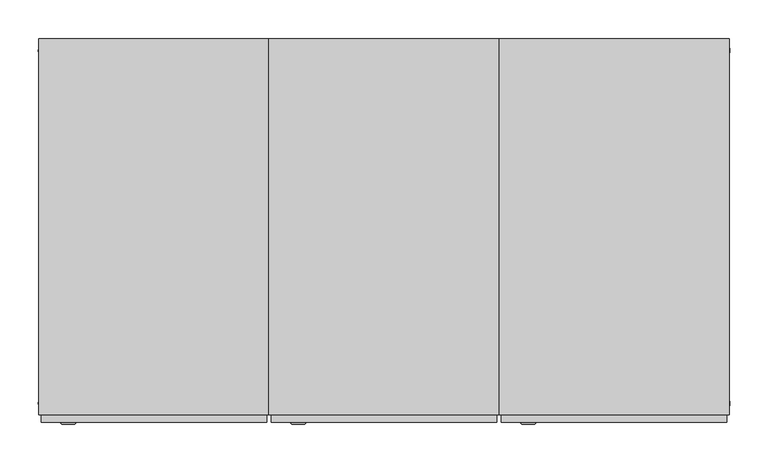
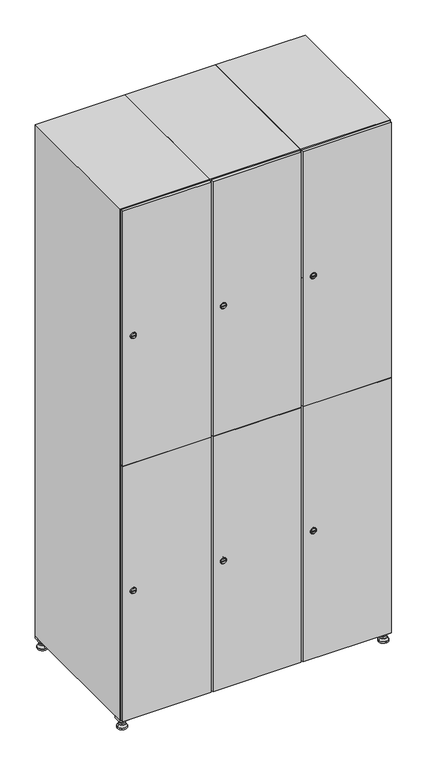
"""IFC4 building model written with IfcOpenShell, lengths in millimetres: furniture geometry."""

from ifc_helpers import new_model, si_unit, point, frame, frame_2d, origin, origin_with_axes, place, context, project, spatial, polyline, circle_curve, trimmed, segment, composite_curve, outline, extrude, faceted_brep, source, transform, mapped, element, save
from ifc_brep_helpers import plane_surface, revolved_surface, advanced_brep


def furniture_682f7376(model_context):
    return source(origin(), model_context, "Body", "SolidModel", [
        extrude(outline(polyline([(700.0, 245.0), (700.0, 215.0), (670.0, 215.0), (670.0, 245.0), (700.0, 245.0)]), holes=[polyline([(698.0, 243.0), (672.0, 243.0), (672.0, 217.0), (698.0, 217.0), (698.0, 243.0)])]), frame((0.0, 0.0, 28.5), z_axis=(0.0, 0.0, 1.0), x_axis=(1.0, 0.0, 0.0)), (0.0, 0.0, 1.0), 6.5),
        extrude(outline(polyline([(670.0, -245.0), (670.0, -215.0), (700.0, -215.0), (700.0, -245.0), (670.0, -245.0)]), holes=[polyline([(672.0, -243.0), (698.0, -243.0), (698.0, -217.0), (672.0, -217.0), (672.0, -243.0)])]), frame((0.0, 0.0, 28.5), z_axis=(0.0, 0.0, 1.0), x_axis=(1.0, 0.0, 0.0)), (0.0, 0.0, 1.0), 6.5),
        extrude(outline(polyline([(-170.0, 245.0), (-170.0, 215.0), (-200.0, 215.0), (-200.0, 245.0), (-170.0, 245.0)]), holes=[polyline([(-172.0, 243.0), (-198.0, 243.0), (-198.0, 217.0), (-172.0, 217.0), (-172.0, 243.0)])]), frame((0.0, 0.0, 28.5), z_axis=(0.0, 0.0, 1.0), x_axis=(1.0, 0.0, 0.0)), (0.0, 0.0, 1.0), 6.5),
        extrude(outline(polyline([(-170.0, -215.0), (-170.0, -245.0), (-200.0, -245.0), (-200.0, -215.0), (-170.0, -215.0)]), holes=[polyline([(-198.0, -243.0), (-172.0, -243.0), (-172.0, -217.0), (-198.0, -217.0), (-198.0, -243.0)])]), frame((0.0, 0.0, 28.5), z_axis=(0.0, 0.0, 1.0), x_axis=(1.0, 0.0, 0.0)), (0.0, 0.0, 1.0), 6.5),
        extrude(outline(composite_curve([segment(trimmed(circle_curve(frame_2d((-185.0, 230.0)), 5.0), [point((-180.0, 230.0))], [point((-190.0, 230.0))], False, "CARTESIAN"), True, "CONTINUOUS"), segment(trimmed(circle_curve(frame_2d((-185.0, 230.0)), 5.0), [point((-190.0, 230.0))], [point((-180.0, 230.0))], False, "CARTESIAN"), True, "CONTINUOUS")], self_intersect=False)), frame((0.0, 0.0, 19.6), z_axis=(0.0, 0.0, 1.0), x_axis=(1.0, 0.0, 0.0)), (0.0, 0.0, 1.0), 15.4),
        extrude(outline(composite_curve([segment(trimmed(circle_curve(frame_2d((-185.0, -230.0)), 5.0), [point((-180.0, -230.0))], [point((-190.0, -230.0))], False, "CARTESIAN"), True, "CONTINUOUS"), segment(trimmed(circle_curve(frame_2d((-185.0, -230.0)), 5.0), [point((-190.0, -230.0))], [point((-180.0, -230.0))], False, "CARTESIAN"), True, "CONTINUOUS")], self_intersect=False)), frame((0.0, 0.0, 19.6), z_axis=(0.0, 0.0, 1.0), x_axis=(1.0, 0.0, 0.0)), (0.0, 0.0, 1.0), 15.4),
        extrude(outline(composite_curve([segment(trimmed(circle_curve(frame_2d((685.0, 230.0)), 5.0), [point((690.0, 230.0))], [point((680.0, 230.0))], False, "CARTESIAN"), True, "CONTINUOUS"), segment(trimmed(circle_curve(frame_2d((685.0, 230.0)), 5.0), [point((680.0, 230.0))], [point((690.0, 230.0))], False, "CARTESIAN"), True, "CONTINUOUS")], self_intersect=False)), frame((0.0, 0.0, 19.6), z_axis=(0.0, 0.0, 1.0), x_axis=(1.0, 0.0, 0.0)), (0.0, 0.0, 1.0), 15.4),
        extrude(outline(polyline([(673.4529946, 230.0), (679.2264973, 240.0), (690.7735027, 240.0), (696.5470054, 230.0), (690.7735027, 220.0), (679.2264973, 220.0), (673.4529946, 230.0)])), frame((0.0, 0.0, 13.6), z_axis=(0.0, 0.0, 1.0), x_axis=(1.0, 0.0, 0.0)), (0.0, 0.0, 1.0), 6.0),
        extrude(outline(composite_curve([segment(trimmed(circle_curve(frame_2d((685.0, -230.0)), 5.0), [point((690.0, -230.0))], [point((680.0, -230.0))], False, "CARTESIAN"), True, "CONTINUOUS"), segment(trimmed(circle_curve(frame_2d((685.0, -230.0)), 5.0), [point((680.0, -230.0))], [point((690.0, -230.0))], False, "CARTESIAN"), True, "CONTINUOUS")], self_intersect=False)), frame((0.0, 0.0, 19.6), z_axis=(0.0, 0.0, 1.0), x_axis=(1.0, 0.0, 0.0)), (0.0, 0.0, 1.0), 15.4),
        extrude(outline(polyline([(673.4529946, -230.0), (679.2264973, -220.0), (690.7735027, -220.0), (696.5470054, -230.0), (690.7735027, -240.0), (679.2264973, -240.0), (673.4529946, -230.0)])), frame((0.0, 0.0, 13.6), z_axis=(0.0, 0.0, 1.0), x_axis=(1.0, 0.0, 0.0)), (0.0, 0.0, 1.0), 6.0),
        extrude(outline(composite_curve([segment(trimmed(circle_curve(frame_2d((685.0, 230.0)), 5.0), [point((690.0, 230.0))], [point((680.0, 230.0))], False, "CARTESIAN"), True, "CONTINUOUS"), segment(trimmed(circle_curve(frame_2d((685.0, 230.0)), 5.0), [point((680.0, 230.0))], [point((690.0, 230.0))], False, "CARTESIAN"), True, "CONTINUOUS")], self_intersect=False)), frame((0.0, 0.0, 12.1), z_axis=(0.0, 0.0, 1.0), x_axis=(1.0, 0.0, 0.0)), (0.0, 0.0, 1.0), 1.5),
        extrude(outline(composite_curve([segment(trimmed(circle_curve(frame_2d((685.0, -230.0)), 5.0), [point((690.0, -230.0))], [point((680.0, -230.0))], False, "CARTESIAN"), True, "CONTINUOUS"), segment(trimmed(circle_curve(frame_2d((685.0, -230.0)), 5.0), [point((680.0, -230.0))], [point((690.0, -230.0))], False, "CARTESIAN"), True, "CONTINUOUS")], self_intersect=False)), frame((0.0, 0.0, 12.1), z_axis=(0.0, 0.0, 1.0), x_axis=(1.0, 0.0, 0.0)), (0.0, 0.0, 1.0), 1.5),
        extrude(outline(polyline([(-196.5470054, 230.0), (-190.7735027, 240.0), (-179.2264973, 240.0), (-173.4529946, 230.0), (-179.2264973, 220.0), (-190.7735027, 220.0), (-196.5470054, 230.0)])), frame((0.0, 0.0, 13.6), z_axis=(0.0, 0.0, 1.0), x_axis=(1.0, 0.0, 0.0)), (0.0, 0.0, 1.0), 6.0),
        extrude(outline(polyline([(-196.5470054, -230.0), (-190.7735027, -220.0), (-179.2264973, -220.0), (-173.4529946, -230.0), (-179.2264973, -240.0), (-190.7735027, -240.0), (-196.5470054, -230.0)])), frame((0.0, 0.0, 13.6), z_axis=(0.0, 0.0, 1.0), x_axis=(1.0, 0.0, 0.0)), (0.0, 0.0, 1.0), 6.0),
        extrude(outline(composite_curve([segment(trimmed(circle_curve(frame_2d((-185.0, 230.0)), 5.0), [point((-185.0, 235.0))], [point((-185.0, 225.0))], False, "CARTESIAN"), True, "CONTINUOUS"), segment(trimmed(circle_curve(frame_2d((-185.0, 230.0)), 5.0), [point((-185.0, 225.0))], [point((-185.0, 235.0))], False, "CARTESIAN"), True, "CONTINUOUS")], self_intersect=False)), frame((0.0, 0.0, 12.1), z_axis=(0.0, 0.0, 1.0), x_axis=(1.0, 0.0, 0.0)), (0.0, 0.0, 1.0), 1.5),
        extrude(outline(composite_curve([segment(trimmed(circle_curve(frame_2d((-185.0, -230.0)), 5.0), [point((-180.0, -230.0))], [point((-190.0, -230.0))], False, "CARTESIAN"), True, "CONTINUOUS"), segment(trimmed(circle_curve(frame_2d((-185.0, -230.0)), 5.0), [point((-190.0, -230.0))], [point((-180.0, -230.0))], False, "CARTESIAN"), True, "CONTINUOUS")], self_intersect=False)), frame((0.0, 0.0, 12.1), z_axis=(0.0, 0.0, 1.0), x_axis=(1.0, 0.0, 0.0)), (0.0, 0.0, 1.0), 1.5),
        extrude(outline(composite_curve([segment(trimmed(circle_curve(frame_2d((685.0, 230.0)), 15.75), [point((700.75, 230.0))], [point((669.25, 230.0))], False, "CARTESIAN"), True, "CONTINUOUS"), segment(trimmed(circle_curve(frame_2d((685.0, 230.0)), 15.75), [point((669.25, 230.0))], [point((700.75, 230.0))], False, "CARTESIAN"), True, "CONTINUOUS")], self_intersect=False)), origin_with_axes(), (0.0, 0.0, 1.0), 5.1),
        extrude(outline(composite_curve([segment(trimmed(circle_curve(frame_2d((685.0, -230.0)), 15.75), [point((685.0, -214.25))], [point((685.0, -245.75))], False, "CARTESIAN"), True, "CONTINUOUS"), segment(trimmed(circle_curve(frame_2d((685.0, -230.0)), 15.75), [point((685.0, -245.75))], [point((685.0, -214.25))], False, "CARTESIAN"), True, "CONTINUOUS")], self_intersect=False)), origin_with_axes(), (0.0, 0.0, 1.0), 5.1),
        extrude(outline(composite_curve([segment(trimmed(circle_curve(frame_2d((-185.0, -230.0)), 15.75), [point((-169.25, -230.0))], [point((-200.75, -230.0))], False, "CARTESIAN"), True, "CONTINUOUS"), segment(trimmed(circle_curve(frame_2d((-185.0, -230.0)), 15.75), [point((-200.75, -230.0))], [point((-169.25, -230.0))], False, "CARTESIAN"), True, "CONTINUOUS")], self_intersect=False)), origin_with_axes(), (0.0, 0.0, 1.0), 5.1),
        extrude(outline(composite_curve([segment(trimmed(circle_curve(frame_2d((-185.0, 230.0)), 15.75), [point((-169.25, 230.0))], [point((-200.75, 230.0))], False, "CARTESIAN"), True, "CONTINUOUS"), segment(trimmed(circle_curve(frame_2d((-185.0, 230.0)), 15.75), [point((-200.75, 230.0))], [point((-169.25, 230.0))], False, "CARTESIAN"), True, "CONTINUOUS")], self_intersect=False)), origin_with_axes(), (0.0, 0.0, 1.0), 5.1),
        advanced_brep(
        [(-185.0, 239.5, 12.1), (-185.0, 220.5, 12.1), (-185.0, 214.25, 5.1), (-185.0, 245.75, 5.1)],
        [
            (0, 1, circle_curve(frame((-185.0, 230.0, 12.1), z_axis=(0.0, 0.0, -1.0), x_axis=(0.0, 1.0, 0.0)), 9.5)),
            (1, 2),
            (2, 3, circle_curve(frame((-185.0, 230.0, 5.1), z_axis=(0.0, 0.0, 1.0), x_axis=(0.0, 1.0, 0.0)), 15.75)),
            (3, 0),
            (1, 0, circle_curve(frame((-185.0, 230.0, 12.1), z_axis=(0.0, 0.0, -1.0), x_axis=(0.0, -1.0, 0.0)), 9.5)),
            (3, 2, circle_curve(frame((-185.0, 230.0, 5.1), z_axis=(0.0, 0.0, 1.0), x_axis=(0.0, -1.0, 0.0)), 15.75)),
        ],
        [
            revolved_surface(polyline([(-185.0, 220.5, 12.099999999999998), (-185.0, 214.25, 5.099999999999998)]), (-185.0, 230.0, 22.74), (0.0, 0.0, -1.0)),
            revolved_surface(polyline([(-185.0, 239.5, 12.099999999999998), (-185.0, 245.75, 5.099999999999998)]), (-185.0, 230.0, 22.74), (0.0, 0.0, -1.0)),
            plane_surface(frame((-185.0, 230.0, 5.1), z_axis=(0.0, 0.0, -1.0), x_axis=(1.0, 0.0, 0.0))),
            plane_surface(frame((-185.0, 230.0, 12.1), z_axis=(0.0, 0.0, 1.0), x_axis=(1.0, 0.0, 0.0))),
        ],
        [
            (0, [[1, 2, 3, 4]]),
            (1, [[5, -4, 6, -2]]),
            (2, [[-3, -6]]),
            (3, [[-5, -1]]),
        ],
    ),
        advanced_brep(
        [(685.0, 239.5, 12.1), (685.0, 220.5, 12.1), (685.0, 214.25, 5.1), (685.0, 245.75, 5.1)],
        [
            (0, 1, circle_curve(frame((685.0, 230.0, 12.1), z_axis=(0.0, 0.0, -1.0), x_axis=(0.0, 1.0, 0.0)), 9.5)),
            (1, 2),
            (2, 3, circle_curve(frame((685.0, 230.0, 5.1), z_axis=(0.0, 0.0, 1.0), x_axis=(0.0, 1.0, 0.0)), 15.75)),
            (3, 0),
            (1, 0, circle_curve(frame((685.0, 230.0, 12.1), z_axis=(0.0, 0.0, -1.0), x_axis=(0.0, -1.0, 0.0)), 9.5)),
            (3, 2, circle_curve(frame((685.0, 230.0, 5.1), z_axis=(0.0, 0.0, 1.0), x_axis=(0.0, -1.0, 0.0)), 15.75)),
        ],
        [
            revolved_surface(polyline([(685.0, 220.5, 12.099999999999998), (685.0, 214.25, 5.099999999999998)]), (685.0, 230.0, 22.74), (0.0, 0.0, -1.0)),
            revolved_surface(polyline([(685.0, 239.5, 12.099999999999998), (685.0, 245.75, 5.099999999999998)]), (685.0, 230.0, 22.74), (0.0, 0.0, -1.0)),
            plane_surface(frame((685.0, 230.0, 5.1), z_axis=(0.0, 0.0, -1.0), x_axis=(1.0, 0.0, 0.0))),
            plane_surface(frame((685.0, 230.0, 12.1), z_axis=(0.0, 0.0, 1.0), x_axis=(1.0, 0.0, 0.0))),
        ],
        [
            (0, [[1, 2, 3, 4]]),
            (1, [[5, -4, 6, -2]]),
            (2, [[-3, -6]]),
            (3, [[-5, -1]]),
        ],
    ),
        advanced_brep(
        [(700.75, -230.0, 5.1), (669.25, -230.0, 5.1), (675.5, -230.0, 12.1), (694.5, -230.0, 12.1)],
        [
            (0, 1, circle_curve(frame((685.0, -230.0, 5.1), z_axis=(0.0, 0.0, 1.0), x_axis=(1.0, 0.0, 0.0)), 15.75)),
            (1, 2),
            (2, 3, circle_curve(frame((685.0, -230.0, 12.1), z_axis=(0.0, 0.0, -1.0), x_axis=(1.0, 0.0, 0.0)), 9.5)),
            (3, 0),
            (1, 0, circle_curve(frame((685.0, -230.0, 5.1), z_axis=(0.0, 0.0, 1.0), x_axis=(-1.0, 0.0, 0.0)), 15.75)),
            (3, 2, circle_curve(frame((685.0, -230.0, 12.1), z_axis=(0.0, 0.0, -1.0), x_axis=(-1.0, 0.0, 0.0)), 9.5)),
        ],
        [
            revolved_surface(polyline([(694.5, -230.0, 12.099999999999998), (700.75, -230.0, 5.099999999999998)]), (685.0, -230.0, 22.74), (0.0, 0.0, -1.0)),
            revolved_surface(polyline([(675.5, -230.0, 12.099999999999998), (669.25, -230.0, 5.099999999999998)]), (685.0, -230.0, 22.74), (0.0, 0.0, -1.0)),
            plane_surface(frame((685.0, -230.0, 12.1), z_axis=(0.0, 0.0, 1.0), x_axis=(0.0, 1.0, 0.0))),
            plane_surface(frame((685.0, -230.0, 5.1), z_axis=(0.0, 0.0, -1.0), x_axis=(0.0, 1.0, 0.0))),
        ],
        [
            (0, [[1, 2, 3, 4]]),
            (1, [[5, -4, 6, -2]]),
            (2, [[-3, -6]]),
            (3, [[-5, -1]]),
        ],
    ),
        advanced_brep(
        [(-169.25, -230.0, 5.1), (-200.75, -230.0, 5.1), (-194.5, -230.0, 12.1), (-175.5, -230.0, 12.1)],
        [
            (0, 1, circle_curve(frame((-185.0, -230.0, 5.1), z_axis=(0.0, 0.0, 1.0), x_axis=(1.0, 0.0, 0.0)), 15.75)),
            (1, 2),
            (2, 3, circle_curve(frame((-185.0, -230.0, 12.1), z_axis=(0.0, 0.0, -1.0), x_axis=(1.0, 0.0, 0.0)), 9.5)),
            (3, 0),
            (1, 0, circle_curve(frame((-185.0, -230.0, 5.1), z_axis=(0.0, 0.0, 1.0), x_axis=(-1.0, 0.0, 0.0)), 15.75)),
            (3, 2, circle_curve(frame((-185.0, -230.0, 12.1), z_axis=(0.0, 0.0, -1.0), x_axis=(-1.0, 0.0, 0.0)), 9.5)),
        ],
        [
            revolved_surface(polyline([(-175.5, -230.0, 12.099999999999998), (-169.25, -230.0, 5.099999999999998)]), (-185.0, -230.0, 22.74), (0.0, 0.0, -1.0)),
            revolved_surface(polyline([(-194.5, -230.0, 12.099999999999998), (-200.75, -230.0, 5.099999999999998)]), (-185.0, -230.0, 22.74), (0.0, 0.0, -1.0)),
            plane_surface(frame((-185.0, -230.0, 12.1), z_axis=(0.0, 0.0, 1.0), x_axis=(0.0, 1.0, 0.0))),
            plane_surface(frame((-185.0, -230.0, 5.1), z_axis=(0.0, 0.0, -1.0), x_axis=(0.0, 1.0, 0.0))),
        ],
        [
            (0, [[1, 2, 3, 4]]),
            (1, [[5, -4, 6, -2]]),
            (2, [[-3, -6]]),
            (3, [[-5, -1]]),
        ],
    ),
        extrude(outline(composite_curve([segment(trimmed(circle_curve(frame_2d((486.5, 411.2010534)), 7.0), [point((493.5, 411.2010534))], [point((479.5, 411.2010534))], False, "CARTESIAN"), True, "CONTINUOUS"), segment(polyline([(479.5, 411.2010534), (479.5, 439.2010534)]), True, "CONTINUOUS"), segment(trimmed(circle_curve(frame_2d((486.5, 439.2010534)), 7.0), [point((479.5, 439.2010534))], [point((493.5, 439.2010534))], False, "CARTESIAN"), True, "CONTINUOUS"), segment(polyline([(493.5, 439.2010534), (493.5, 411.2010534)]), True, "CONTINUOUS")], self_intersect=False)), frame((0.0, -245.0, 0.0), z_axis=(0.0, 1.0, 0.0), x_axis=(0.0, 0.0, 1.0)), (0.0, 0.0, 1.0), 2.0),
        advanced_brep(
        [(446.5, -257.2, 486.5), (429.5, -257.2, 486.5), (433.0, -257.2, 485.25), (433.0, -257.2, 487.75), (443.0, -257.2, 487.75), (443.0, -257.2, 485.25), (448.5, -255.0, 486.5), (427.5, -255.0, 486.5), (433.0, -255.0, 487.75), (433.0, -255.0, 485.25), (443.0, -255.0, 485.25), (443.0, -255.0, 487.75)],
        [
            (0, 1, circle_curve(frame((438.0, -257.2, 486.5), z_axis=(0.0, -1.0, 0.0), x_axis=(1.0, 0.0, 0.0)), 8.5)),
            (1, 0, circle_curve(frame((438.0, -257.2, 486.5), z_axis=(0.0, -1.0, 0.0), x_axis=(-1.0, 0.0, 0.0)), 8.5)),
            (2, 3),
            (3, 4),
            (4, 5),
            (5, 2),
            (6, 7, circle_curve(frame((438.0, -255.0, 486.5), z_axis=(0.0, 1.0, 0.0), x_axis=(-1.0, 0.0, 0.0)), 10.5)),
            (7, 6, circle_curve(frame((438.0, -255.0, 486.5), z_axis=(0.0, 1.0, 0.0), x_axis=(1.0, 0.0, 0.0)), 10.5)),
            (8, 9),
            (9, 10),
            (10, 11),
            (11, 8),
            (0, 6),
            (7, 1),
            (8, 3),
            (2, 9),
            (11, 4),
            (10, 5),
        ],
        [
            plane_surface(frame((438.0, -257.2, 486.5), z_axis=(0.0, -1.0, 0.0), x_axis=(0.0, 0.0, 1.0))),
            plane_surface(frame((438.0, -255.0, 486.5), z_axis=(0.0, 1.0, 0.0), x_axis=(0.0, 0.0, 1.0))),
            revolved_surface(polyline([(446.5, -257.2, 486.5), (448.5, -255.0, 486.5)]), (438.0, -266.55, 486.5), (0.0, 1.0, 0.0)),
            revolved_surface(polyline([(429.5, -257.2, 486.5), (427.5, -255.0, 486.5)]), (438.0, -266.55, 486.5), (0.0, 1.0, 0.0)),
            plane_surface(frame((433.0, -255.0, 485.25), z_axis=(1.0, 0.0, 0.0), x_axis=(0.0, -1.0, 0.0))),
            plane_surface(frame((433.0, -255.0, 487.75), z_axis=(0.0, 0.0, -1.0), x_axis=(0.0, -1.0, 0.0))),
            plane_surface(frame((443.0, -255.0, 487.75), z_axis=(-1.0, 0.0, 0.0), x_axis=(0.0, -1.0, 0.0))),
            plane_surface(frame((443.0, -255.0, 485.25), z_axis=(0.0, 0.0, 1.0), x_axis=(0.0, -1.0, 0.0))),
        ],
        [
            (0, [[1, 2], [3, 4, 5, 6]]),
            (1, [[7, 8], [9, 10, 11, 12]]),
            (2, [[-1, 13, -8, 14]]),
            (3, [[-2, -14, -7, -13]]),
            (4, [[15, -3, 16, -9]]),
            (5, [[-15, -12, 17, -4]]),
            (6, [[-17, -11, 18, -5]]),
            (7, [[-16, -6, -18, -10]]),
        ],
    ),
        extrude(outline(composite_curve([segment(trimmed(circle_curve(frame_2d((1383.5, 411.2010534)), 7.0), [point((1390.5, 411.2010534))], [point((1376.5, 411.2010534))], False, "CARTESIAN"), True, "CONTINUOUS"), segment(polyline([(1376.5, 411.2010534), (1376.5, 439.2010534)]), True, "CONTINUOUS"), segment(trimmed(circle_curve(frame_2d((1383.5, 439.2010534)), 7.0), [point((1376.5, 439.2010534))], [point((1390.5, 439.2010534))], False, "CARTESIAN"), True, "CONTINUOUS"), segment(polyline([(1390.5, 439.2010534), (1390.5, 411.2010534)]), True, "CONTINUOUS")], self_intersect=False)), frame((0.0, -245.0, 0.0), z_axis=(0.0, 1.0, 0.0), x_axis=(0.0, 0.0, 1.0)), (0.0, 0.0, 1.0), 2.0),
        advanced_brep(
        [(446.5, -257.2, 1383.5), (429.5, -257.2, 1383.5), (433.0, -257.2, 1382.25), (433.0, -257.2, 1384.75), (443.0, -257.2, 1384.75), (443.0, -257.2, 1382.25), (448.5, -255.0, 1383.5), (427.5, -255.0, 1383.5), (433.0, -255.0, 1384.75), (433.0, -255.0, 1382.25), (443.0, -255.0, 1382.25), (443.0, -255.0, 1384.75)],
        [
            (0, 1, circle_curve(frame((438.0, -257.2, 1383.5), z_axis=(0.0, -1.0, 0.0), x_axis=(1.0, 0.0, 0.0)), 8.5)),
            (1, 0, circle_curve(frame((438.0, -257.2, 1383.5), z_axis=(0.0, -1.0, 0.0), x_axis=(-1.0, 0.0, 0.0)), 8.5)),
            (2, 3),
            (3, 4),
            (4, 5),
            (5, 2),
            (6, 7, circle_curve(frame((438.0, -255.0, 1383.5), z_axis=(0.0, 1.0, 0.0), x_axis=(-1.0, 0.0, 0.0)), 10.5)),
            (7, 6, circle_curve(frame((438.0, -255.0, 1383.5), z_axis=(0.0, 1.0, 0.0), x_axis=(1.0, 0.0, 0.0)), 10.5)),
            (8, 9),
            (9, 10),
            (10, 11),
            (11, 8),
            (0, 6),
            (7, 1),
            (8, 3),
            (2, 9),
            (11, 4),
            (10, 5),
        ],
        [
            plane_surface(frame((438.0, -257.2, 1383.5), z_axis=(0.0, -1.0, 0.0), x_axis=(0.0, 0.0, 1.0))),
            plane_surface(frame((438.0, -255.0, 1383.5), z_axis=(0.0, 1.0, 0.0), x_axis=(0.0, 0.0, 1.0))),
            revolved_surface(polyline([(446.5, -257.2, 1383.5), (448.5, -255.0, 1383.5)]), (438.0, -266.55, 1383.5), (0.0, 1.0, 0.0)),
            revolved_surface(polyline([(429.5, -257.2, 1383.5), (427.5, -255.0, 1383.5)]), (438.0, -266.55, 1383.5), (0.0, 1.0, 0.0)),
            plane_surface(frame((433.0, -255.0, 1382.25), z_axis=(1.0, 0.0, 0.0), x_axis=(0.0, -1.0, 0.0))),
            plane_surface(frame((433.0, -255.0, 1384.75), z_axis=(0.0, 0.0, -1.0), x_axis=(0.0, -1.0, 0.0))),
            plane_surface(frame((443.0, -255.0, 1384.75), z_axis=(-1.0, 0.0, 0.0), x_axis=(0.0, -1.0, 0.0))),
            plane_surface(frame((443.0, -255.0, 1382.25), z_axis=(0.0, 0.0, 1.0), x_axis=(0.0, -1.0, 0.0))),
        ],
        [
            (0, [[1, 2], [3, 4, 5, 6]]),
            (1, [[7, 8], [9, 10, 11, 12]]),
            (2, [[-1, 13, -8, 14]]),
            (3, [[-2, -14, -7, -13]]),
            (4, [[15, -3, 16, -9]]),
            (5, [[-15, -12, 17, -4]]),
            (6, [[-17, -11, 18, -5]]),
            (7, [[-16, -6, -18, -10]]),
        ],
    ),
        extrude(outline(polyline([(403.0, -255.0), (403.0, -245.0), (697.0, -245.0), (697.0, -255.0), (403.0, -255.0)])), frame((0.0, 0.0, 38.0), z_axis=(0.0, 0.0, 1.0), x_axis=(1.0, 0.0, 0.0)), (0.0, 0.0, 1.0), 896.5),
        extrude(outline(polyline([(697.0, -245.0), (697.0, -255.0), (403.0, -255.0), (403.0, -245.0), (697.0, -245.0)])), frame((0.0, 0.0, 935.5), z_axis=(0.0, 0.0, 1.0), x_axis=(1.0, 0.0, 0.0)), (0.0, 0.0, 1.0), 896.5),
        extrude(outline(polyline([(679.6, 242.0), (679.6, -235.0), (420.4, -235.0), (420.4, 242.0), (679.6, 242.0)])), frame((0.0, 0.0, 924.8), z_axis=(0.0, 0.0, 1.0), x_axis=(1.0, 0.0, 0.0)), (0.0, 0.0, 1.0), 20.4),
        faceted_brep([(700.0, -245.0, 35.0), (700.0, -245.0, 1835.0), (400.0, -245.0, 1835.0), (400.0, -245.0, 35.0), (679.6, -245.0, 1804.8), (679.6, -245.0, 65.2), (420.4, -245.0, 65.2), (420.4, -245.0, 1804.8), (700.0, 245.0, 35.0), (400.0, 245.0, 35.0), (700.0, 245.0, 1835.0), (400.0, 245.0, 1835.0), (679.6, 242.0, 1804.8), (679.6, 242.0, 65.2), (400.0, 245.0, 1804.8), (420.4, 242.0, 1804.8), (420.4, 242.0, 65.2)], [[[0, 1, 2, 3], [4, 5, 6, 7]], [[8, 0, 3, 9]], [[1, 0, 8, 10]], [[1, 10, 11, 2]], [[4, 12, 13, 5]], [[9, 3, 2, 11, 14]], [[10, 8, 9, 14, 11]], [[12, 15, 16, 13]], [[15, 7, 6, 16]], [[4, 7, 15, 12]], [[6, 5, 13, 16]]]),
        extrude(outline(composite_curve([segment(trimmed(circle_curve(frame_2d((486.5, 111.2010534)), 7.0), [point((493.5, 111.2010534))], [point((479.5, 111.2010534))], False, "CARTESIAN"), True, "CONTINUOUS"), segment(polyline([(479.5, 111.2010534), (479.5, 139.2010534)]), True, "CONTINUOUS"), segment(trimmed(circle_curve(frame_2d((486.5, 139.2010534)), 7.0), [point((479.5, 139.2010534))], [point((493.5, 139.2010534))], False, "CARTESIAN"), True, "CONTINUOUS"), segment(polyline([(493.5, 139.2010534), (493.5, 111.2010534)]), True, "CONTINUOUS")], self_intersect=False)), frame((0.0, -245.0, 0.0), z_axis=(0.0, 1.0, 0.0), x_axis=(0.0, 0.0, 1.0)), (0.0, 0.0, 1.0), 2.0),
        advanced_brep(
        [(146.5, -257.2, 486.5), (129.5, -257.2, 486.5), (133.0, -257.2, 485.25), (133.0, -257.2, 487.75), (143.0, -257.2, 487.75), (143.0, -257.2, 485.25), (148.5, -255.0, 486.5), (127.5, -255.0, 486.5), (133.0, -255.0, 487.75), (133.0, -255.0, 485.25), (143.0, -255.0, 485.25), (143.0, -255.0, 487.75)],
        [
            (0, 1, circle_curve(frame((138.0, -257.2, 486.5), z_axis=(0.0, -1.0, 0.0), x_axis=(1.0, 0.0, 0.0)), 8.5)),
            (1, 0, circle_curve(frame((138.0, -257.2, 486.5), z_axis=(0.0, -1.0, 0.0), x_axis=(-1.0, 0.0, 0.0)), 8.5)),
            (2, 3),
            (3, 4),
            (4, 5),
            (5, 2),
            (6, 7, circle_curve(frame((138.0, -255.0, 486.5), z_axis=(0.0, 1.0, 0.0), x_axis=(-1.0, 0.0, 0.0)), 10.5)),
            (7, 6, circle_curve(frame((138.0, -255.0, 486.5), z_axis=(0.0, 1.0, 0.0), x_axis=(1.0, 0.0, 0.0)), 10.5)),
            (8, 9),
            (9, 10),
            (10, 11),
            (11, 8),
            (0, 6),
            (7, 1),
            (8, 3),
            (2, 9),
            (11, 4),
            (10, 5),
        ],
        [
            plane_surface(frame((138.0, -257.2, 486.5), z_axis=(0.0, -1.0, 0.0), x_axis=(0.0, 0.0, 1.0))),
            plane_surface(frame((138.0, -255.0, 486.5), z_axis=(0.0, 1.0, 0.0), x_axis=(0.0, 0.0, 1.0))),
            revolved_surface(polyline([(146.5, -257.2, 486.5), (148.5, -255.0, 486.5)]), (138.0, -266.55, 486.5), (0.0, 1.0, 0.0)),
            revolved_surface(polyline([(129.5, -257.2, 486.5), (127.5, -255.0, 486.5)]), (138.0, -266.55, 486.5), (0.0, 1.0, 0.0)),
            plane_surface(frame((133.0, -255.0, 485.25), z_axis=(1.0, 0.0, 0.0), x_axis=(0.0, -1.0, 0.0))),
            plane_surface(frame((133.0, -255.0, 487.75), z_axis=(0.0, 0.0, -1.0), x_axis=(0.0, -1.0, 0.0))),
            plane_surface(frame((143.0, -255.0, 487.75), z_axis=(-1.0, 0.0, 0.0), x_axis=(0.0, -1.0, 0.0))),
            plane_surface(frame((143.0, -255.0, 485.25), z_axis=(0.0, 0.0, 1.0), x_axis=(0.0, -1.0, 0.0))),
        ],
        [
            (0, [[1, 2], [3, 4, 5, 6]]),
            (1, [[7, 8], [9, 10, 11, 12]]),
            (2, [[-1, 13, -8, 14]]),
            (3, [[-2, -14, -7, -13]]),
            (4, [[15, -3, 16, -9]]),
            (5, [[-15, -12, 17, -4]]),
            (6, [[-17, -11, 18, -5]]),
            (7, [[-16, -6, -18, -10]]),
        ],
    ),
        extrude(outline(composite_curve([segment(trimmed(circle_curve(frame_2d((1383.5, 111.2010534)), 7.0), [point((1390.5, 111.2010534))], [point((1376.5, 111.2010534))], False, "CARTESIAN"), True, "CONTINUOUS"), segment(polyline([(1376.5, 111.2010534), (1376.5, 139.2010534)]), True, "CONTINUOUS"), segment(trimmed(circle_curve(frame_2d((1383.5, 139.2010534)), 7.0), [point((1376.5, 139.2010534))], [point((1390.5, 139.2010534))], False, "CARTESIAN"), True, "CONTINUOUS"), segment(polyline([(1390.5, 139.2010534), (1390.5, 111.2010534)]), True, "CONTINUOUS")], self_intersect=False)), frame((0.0, -245.0, 0.0), z_axis=(0.0, 1.0, 0.0), x_axis=(0.0, 0.0, 1.0)), (0.0, 0.0, 1.0), 2.0),
        advanced_brep(
        [(146.5, -257.2, 1383.5), (129.5, -257.2, 1383.5), (133.0, -257.2, 1382.25), (133.0, -257.2, 1384.75), (143.0, -257.2, 1384.75), (143.0, -257.2, 1382.25), (148.5, -255.0, 1383.5), (127.5, -255.0, 1383.5), (133.0, -255.0, 1384.75), (133.0, -255.0, 1382.25), (143.0, -255.0, 1382.25), (143.0, -255.0, 1384.75)],
        [
            (0, 1, circle_curve(frame((138.0, -257.2, 1383.5), z_axis=(0.0, -1.0, 0.0), x_axis=(1.0, 0.0, 0.0)), 8.5)),
            (1, 0, circle_curve(frame((138.0, -257.2, 1383.5), z_axis=(0.0, -1.0, 0.0), x_axis=(-1.0, 0.0, 0.0)), 8.5)),
            (2, 3),
            (3, 4),
            (4, 5),
            (5, 2),
            (6, 7, circle_curve(frame((138.0, -255.0, 1383.5), z_axis=(0.0, 1.0, 0.0), x_axis=(-1.0, 0.0, 0.0)), 10.5)),
            (7, 6, circle_curve(frame((138.0, -255.0, 1383.5), z_axis=(0.0, 1.0, 0.0), x_axis=(1.0, 0.0, 0.0)), 10.5)),
            (8, 9),
            (9, 10),
            (10, 11),
            (11, 8),
            (0, 6),
            (7, 1),
            (8, 3),
            (2, 9),
            (11, 4),
            (10, 5),
        ],
        [
            plane_surface(frame((138.0, -257.2, 1383.5), z_axis=(0.0, -1.0, 0.0), x_axis=(0.0, 0.0, 1.0))),
            plane_surface(frame((138.0, -255.0, 1383.5), z_axis=(0.0, 1.0, 0.0), x_axis=(0.0, 0.0, 1.0))),
            revolved_surface(polyline([(146.5, -257.2, 1383.5), (148.5, -255.0, 1383.5)]), (138.0, -266.55, 1383.5), (0.0, 1.0, 0.0)),
            revolved_surface(polyline([(129.5, -257.2, 1383.5), (127.5, -255.0, 1383.5)]), (138.0, -266.55, 1383.5), (0.0, 1.0, 0.0)),
            plane_surface(frame((133.0, -255.0, 1382.25), z_axis=(1.0, 0.0, 0.0), x_axis=(0.0, -1.0, 0.0))),
            plane_surface(frame((133.0, -255.0, 1384.75), z_axis=(0.0, 0.0, -1.0), x_axis=(0.0, -1.0, 0.0))),
            plane_surface(frame((143.0, -255.0, 1384.75), z_axis=(-1.0, 0.0, 0.0), x_axis=(0.0, -1.0, 0.0))),
            plane_surface(frame((143.0, -255.0, 1382.25), z_axis=(0.0, 0.0, 1.0), x_axis=(0.0, -1.0, 0.0))),
        ],
        [
            (0, [[1, 2], [3, 4, 5, 6]]),
            (1, [[7, 8], [9, 10, 11, 12]]),
            (2, [[-1, 13, -8, 14]]),
            (3, [[-2, -14, -7, -13]]),
            (4, [[15, -3, 16, -9]]),
            (5, [[-15, -12, 17, -4]]),
            (6, [[-17, -11, 18, -5]]),
            (7, [[-16, -6, -18, -10]]),
        ],
    ),
        extrude(outline(polyline([(103.0, -255.0), (103.0, -245.0), (397.0, -245.0), (397.0, -255.0), (103.0, -255.0)])), frame((0.0, 0.0, 38.0), z_axis=(0.0, 0.0, 1.0), x_axis=(1.0, 0.0, 0.0)), (0.0, 0.0, 1.0), 896.5),
        extrude(outline(polyline([(397.0, -245.0), (397.0, -255.0), (103.0, -255.0), (103.0, -245.0), (397.0, -245.0)])), frame((0.0, 0.0, 935.5), z_axis=(0.0, 0.0, 1.0), x_axis=(1.0, 0.0, 0.0)), (0.0, 0.0, 1.0), 896.5),
        extrude(outline(polyline([(379.6, 242.0), (379.6, -235.0), (120.4, -235.0), (120.4, 242.0), (379.6, 242.0)])), frame((0.0, 0.0, 924.8), z_axis=(0.0, 0.0, 1.0), x_axis=(1.0, 0.0, 0.0)), (0.0, 0.0, 1.0), 20.4),
        faceted_brep([(400.0, -245.0, 35.0), (400.0, -245.0, 1835.0), (100.0, -245.0, 1835.0), (100.0, -245.0, 35.0), (379.6, -245.0, 1804.8), (379.6, -245.0, 65.2), (120.4, -245.0, 65.2), (120.4, -245.0, 1804.8), (400.0, 245.0, 35.0), (100.0, 245.0, 35.0), (400.0, 245.0, 1835.0), (100.0, 245.0, 1835.0), (379.6, 242.0, 1804.8), (379.6, 242.0, 65.2), (100.0, 245.0, 1804.8), (120.4, 242.0, 1804.8), (120.4, 242.0, 65.2)], [[[0, 1, 2, 3], [4, 5, 6, 7]], [[8, 0, 3, 9]], [[1, 0, 8, 10]], [[1, 10, 11, 2]], [[4, 12, 13, 5]], [[9, 3, 2, 11, 14]], [[10, 8, 9, 14, 11]], [[12, 15, 16, 13]], [[15, 7, 6, 16]], [[4, 7, 15, 12]], [[6, 5, 13, 16]]]),
        extrude(outline(composite_curve([segment(trimmed(circle_curve(frame_2d((486.5, -188.7989466)), 7.0), [point((493.5, -188.7989466))], [point((479.5, -188.7989466))], False, "CARTESIAN"), True, "CONTINUOUS"), segment(polyline([(479.5, -188.7989466), (479.5, -160.7989466)]), True, "CONTINUOUS"), segment(trimmed(circle_curve(frame_2d((486.5, -160.7989466)), 7.0), [point((479.5, -160.7989466))], [point((493.5, -160.7989466))], False, "CARTESIAN"), True, "CONTINUOUS"), segment(polyline([(493.5, -160.7989466), (493.5, -188.7989466)]), True, "CONTINUOUS")], self_intersect=False)), frame((0.0, -245.0, 0.0), z_axis=(0.0, 1.0, 0.0), x_axis=(0.0, 0.0, 1.0)), (0.0, 0.0, 1.0), 2.0),
        advanced_brep(
        [(-153.5, -257.2, 486.5), (-170.5, -257.2, 486.5), (-167.0, -257.2, 485.25), (-167.0, -257.2, 487.75), (-157.0, -257.2, 487.75), (-157.0, -257.2, 485.25), (-151.5, -255.0, 486.5), (-172.5, -255.0, 486.5), (-167.0, -255.0, 487.75), (-167.0, -255.0, 485.25), (-157.0, -255.0, 485.25), (-157.0, -255.0, 487.75)],
        [
            (0, 1, circle_curve(frame((-162.0, -257.2, 486.5), z_axis=(0.0, -1.0, 0.0), x_axis=(1.0, 0.0, 0.0)), 8.5)),
            (1, 0, circle_curve(frame((-162.0, -257.2, 486.5), z_axis=(0.0, -1.0, 0.0), x_axis=(-1.0, 0.0, 0.0)), 8.5)),
            (2, 3),
            (3, 4),
            (4, 5),
            (5, 2),
            (6, 7, circle_curve(frame((-162.0, -255.0, 486.5), z_axis=(0.0, 1.0, 0.0), x_axis=(-1.0, 0.0, 0.0)), 10.5)),
            (7, 6, circle_curve(frame((-162.0, -255.0, 486.5), z_axis=(0.0, 1.0, 0.0), x_axis=(1.0, 0.0, 0.0)), 10.5)),
            (8, 9),
            (9, 10),
            (10, 11),
            (11, 8),
            (0, 6),
            (7, 1),
            (8, 3),
            (2, 9),
            (11, 4),
            (10, 5),
        ],
        [
            plane_surface(frame((-162.0, -257.2, 486.5), z_axis=(0.0, -1.0, 0.0), x_axis=(0.0, 0.0, 1.0))),
            plane_surface(frame((-162.0, -255.0, 486.5), z_axis=(0.0, 1.0, 0.0), x_axis=(0.0, 0.0, 1.0))),
            revolved_surface(polyline([(-153.5, -257.2, 486.5), (-151.5, -255.0, 486.5)]), (-162.0, -266.55, 486.5), (0.0, 1.0, 0.0)),
            revolved_surface(polyline([(-170.5, -257.2, 486.5), (-172.5, -255.0, 486.5)]), (-162.0, -266.55, 486.5), (0.0, 1.0, 0.0)),
            plane_surface(frame((-167.0, -255.0, 485.25), z_axis=(1.0, 0.0, 0.0), x_axis=(0.0, -1.0, 0.0))),
            plane_surface(frame((-167.0, -255.0, 487.75), z_axis=(0.0, 0.0, -1.0), x_axis=(0.0, -1.0, 0.0))),
            plane_surface(frame((-157.0, -255.0, 487.75), z_axis=(-1.0, 0.0, 0.0), x_axis=(0.0, -1.0, 0.0))),
            plane_surface(frame((-157.0, -255.0, 485.25), z_axis=(0.0, 0.0, 1.0), x_axis=(0.0, -1.0, 0.0))),
        ],
        [
            (0, [[1, 2], [3, 4, 5, 6]]),
            (1, [[7, 8], [9, 10, 11, 12]]),
            (2, [[-1, 13, -8, 14]]),
            (3, [[-2, -14, -7, -13]]),
            (4, [[15, -3, 16, -9]]),
            (5, [[-15, -12, 17, -4]]),
            (6, [[-17, -11, 18, -5]]),
            (7, [[-16, -6, -18, -10]]),
        ],
    ),
        extrude(outline(composite_curve([segment(trimmed(circle_curve(frame_2d((1383.5, -188.7989466)), 7.0), [point((1390.5, -188.7989466))], [point((1376.5, -188.7989466))], False, "CARTESIAN"), True, "CONTINUOUS"), segment(polyline([(1376.5, -188.7989466), (1376.5, -160.7989466)]), True, "CONTINUOUS"), segment(trimmed(circle_curve(frame_2d((1383.5, -160.7989466)), 7.0), [point((1376.5, -160.7989466))], [point((1390.5, -160.7989466))], False, "CARTESIAN"), True, "CONTINUOUS"), segment(polyline([(1390.5, -160.7989466), (1390.5, -188.7989466)]), True, "CONTINUOUS")], self_intersect=False)), frame((0.0, -245.0, 0.0), z_axis=(0.0, 1.0, 0.0), x_axis=(0.0, 0.0, 1.0)), (0.0, 0.0, 1.0), 2.0),
        advanced_brep(
        [(-153.5, -257.2, 1383.5), (-170.5, -257.2, 1383.5), (-167.0, -257.2, 1382.25), (-167.0, -257.2, 1384.75), (-157.0, -257.2, 1384.75), (-157.0, -257.2, 1382.25), (-151.5, -255.0, 1383.5), (-172.5, -255.0, 1383.5), (-167.0, -255.0, 1384.75), (-167.0, -255.0, 1382.25), (-157.0, -255.0, 1382.25), (-157.0, -255.0, 1384.75)],
        [
            (0, 1, circle_curve(frame((-162.0, -257.2, 1383.5), z_axis=(0.0, -1.0, 0.0), x_axis=(1.0, 0.0, 0.0)), 8.5)),
            (1, 0, circle_curve(frame((-162.0, -257.2, 1383.5), z_axis=(0.0, -1.0, 0.0), x_axis=(-1.0, 0.0, 0.0)), 8.5)),
            (2, 3),
            (3, 4),
            (4, 5),
            (5, 2),
            (6, 7, circle_curve(frame((-162.0, -255.0, 1383.5), z_axis=(0.0, 1.0, 0.0), x_axis=(-1.0, 0.0, 0.0)), 10.5)),
            (7, 6, circle_curve(frame((-162.0, -255.0, 1383.5), z_axis=(0.0, 1.0, 0.0), x_axis=(1.0, 0.0, 0.0)), 10.5)),
            (8, 9),
            (9, 10),
            (10, 11),
            (11, 8),
            (0, 6),
            (7, 1),
            (8, 3),
            (2, 9),
            (11, 4),
            (10, 5),
        ],
        [
            plane_surface(frame((-162.0, -257.2, 1383.5), z_axis=(0.0, -1.0, 0.0), x_axis=(0.0, 0.0, 1.0))),
            plane_surface(frame((-162.0, -255.0, 1383.5), z_axis=(0.0, 1.0, 0.0), x_axis=(0.0, 0.0, 1.0))),
            revolved_surface(polyline([(-153.5, -257.2, 1383.5), (-151.5, -255.0, 1383.5)]), (-162.0, -266.55, 1383.5), (0.0, 1.0, 0.0)),
            revolved_surface(polyline([(-170.5, -257.2, 1383.5), (-172.5, -255.0, 1383.5)]), (-162.0, -266.55, 1383.5), (0.0, 1.0, 0.0)),
            plane_surface(frame((-167.0, -255.0, 1382.25), z_axis=(1.0, 0.0, 0.0), x_axis=(0.0, -1.0, 0.0))),
            plane_surface(frame((-167.0, -255.0, 1384.75), z_axis=(0.0, 0.0, -1.0), x_axis=(0.0, -1.0, 0.0))),
            plane_surface(frame((-157.0, -255.0, 1384.75), z_axis=(-1.0, 0.0, 0.0), x_axis=(0.0, -1.0, 0.0))),
            plane_surface(frame((-157.0, -255.0, 1382.25), z_axis=(0.0, 0.0, 1.0), x_axis=(0.0, -1.0, 0.0))),
        ],
        [
            (0, [[1, 2], [3, 4, 5, 6]]),
            (1, [[7, 8], [9, 10, 11, 12]]),
            (2, [[-1, 13, -8, 14]]),
            (3, [[-2, -14, -7, -13]]),
            (4, [[15, -3, 16, -9]]),
            (5, [[-15, -12, 17, -4]]),
            (6, [[-17, -11, 18, -5]]),
            (7, [[-16, -6, -18, -10]]),
        ],
    ),
        extrude(outline(polyline([(-197.0, -255.0), (-197.0, -245.0), (97.0, -245.0), (97.0, -255.0), (-197.0, -255.0)])), frame((0.0, 0.0, 38.0), z_axis=(0.0, 0.0, 1.0), x_axis=(1.0, 0.0, 0.0)), (0.0, 0.0, 1.0), 896.5),
        extrude(outline(polyline([(97.0, -245.0), (97.0, -255.0), (-197.0, -255.0), (-197.0, -245.0), (97.0, -245.0)])), frame((0.0, 0.0, 935.5), z_axis=(0.0, 0.0, 1.0), x_axis=(1.0, 0.0, 0.0)), (0.0, 0.0, 1.0), 896.5),
        extrude(outline(polyline([(79.6, 242.0), (79.6, -235.0), (-179.6, -235.0), (-179.6, 242.0), (79.6, 242.0)])), frame((0.0, 0.0, 924.8), z_axis=(0.0, 0.0, 1.0), x_axis=(1.0, 0.0, 0.0)), (0.0, 0.0, 1.0), 20.4),
        faceted_brep([(100.0, -245.0, 35.0), (100.0, -245.0, 1835.0), (-200.0, -245.0, 1835.0), (-200.0, -245.0, 35.0), (79.6, -245.0, 1804.8), (79.6, -245.0, 65.2), (-179.6, -245.0, 65.2), (-179.6, -245.0, 1804.8), (100.0, 245.0, 35.0), (-200.0, 245.0, 35.0), (100.0, 245.0, 1835.0), (-200.0, 245.0, 1835.0), (79.6, 242.0, 1804.8), (79.6, 242.0, 65.2), (-200.0, 245.0, 1804.8), (-179.6, 242.0, 1804.8), (-179.6, 242.0, 65.2)], [[[0, 1, 2, 3], [4, 5, 6, 7]], [[8, 0, 3, 9]], [[1, 0, 8, 10]], [[1, 10, 11, 2]], [[4, 12, 13, 5]], [[9, 3, 2, 11, 14]], [[10, 8, 9, 14, 11]], [[12, 15, 16, 13]], [[15, 7, 6, 16]], [[4, 7, 15, 12]], [[6, 5, 13, 16]]]),
    ])


if __name__ == "__main__":
    model = new_model("IFC4")
    model_context = context("Model", 3, world=origin())
    ifc_project = project(units=[si_unit("LENGTHUNIT", "METRE", prefix="MILLI")], contexts=[model_context])
    site = spatial("IfcSite", under=ifc_project)
    building = spatial("IfcBuilding", under=site)
    placement = place(None, origin())
    furniture_shape = furniture_682f7376(model_context)
    element("IfcFurniture", 1, at=placement, inside=building, context=model_context, shape_type="MappedRepresentation", body=[
        mapped(furniture_shape, transform((0.0, 0.0, 0.0), x_axis=(1.0, 0.0, 0.0), y_axis=(0.0, 1.0, 0.0), z_axis=(0.0, 0.0, 1.0))),
    ])
    save(model, "model.ifc")
